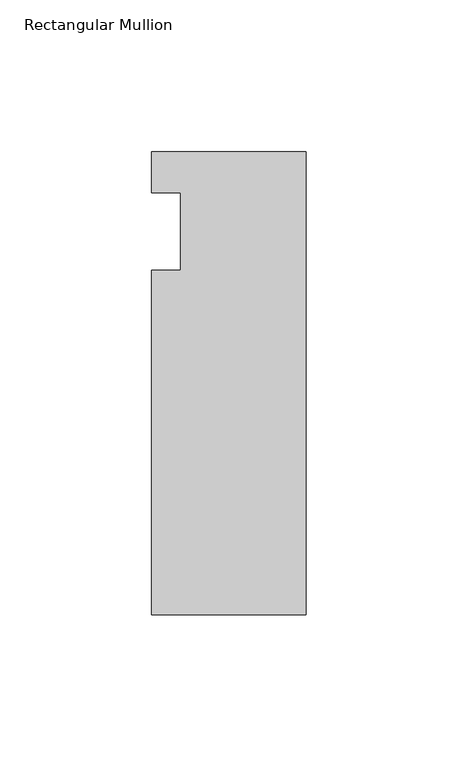
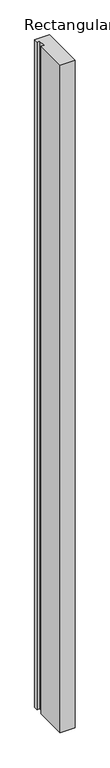
"""IFC4 building model written with IfcOpenShell, lengths in millimetres: member geometry, Rectangular Mullion."""

from ifc_helpers import new_model, si_unit, frame, origin, place, context, project, spatial, polyline, outline, extrude, source, transform, mapped, element, save


def rectangular_mullion_d670f733(model_context):
    return source(origin(), model_context, "Body", "SweptSolid", [
        extrude(outline(polyline([(-25.4, 26.19375), (25.4, 26.19375), (25.4, -126.20625), (-25.4, -126.20625), (-25.4, -12.7), (-15.875, -12.7), (-15.875, 12.7), (-25.4, 12.7), (-25.4, 26.19375)])), frame((0.0, 0.0, -2438.4), z_axis=(0.0, 0.0, 1.0), x_axis=(1.0, 0.0, 0.0)), (0.0, 0.0, 1.0), 2438.4),
    ])


if __name__ == "__main__":
    model = new_model("IFC4")
    model_context = context("Model", 3, world=origin())
    ifc_project = project(units=[si_unit("LENGTHUNIT", "METRE", prefix="MILLI")], contexts=[model_context])
    site = spatial("IfcSite", under=ifc_project)
    building = spatial("IfcBuilding", under=site)
    placement = place(None, origin())
    rectangular_mullion_shape = rectangular_mullion_d670f733(model_context)
    element("IfcMember", 1, ObjectType="Rectangular Mullion", at=placement, inside=building, context=model_context, shape_type="MappedRepresentation", body=[
        mapped(rectangular_mullion_shape, transform((0.0, 0.0, 0.0), x_axis=(1.0, 0.0, 0.0), y_axis=(0.0, 1.0, 0.0), z_axis=(0.0, 0.0, 1.0))),
    ])
    save(model, "model.ifc")
